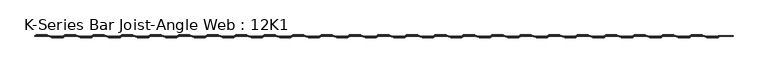
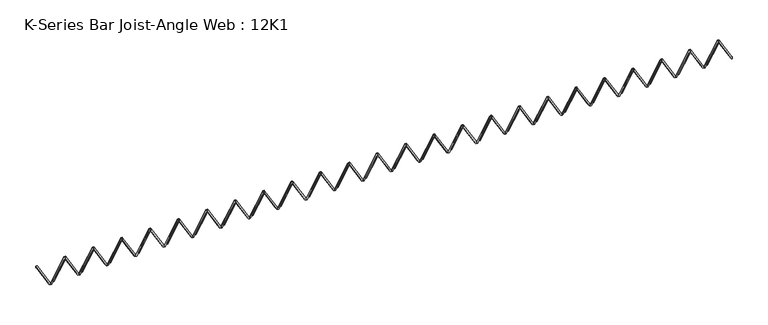
"""IFC4 building model written with IfcOpenShell, lengths in millimetres: beam geometry, K-Series Bar Joist-Angle Web : 12K1."""

from ifc_helpers import new_model, si_unit, frame, origin, place, context, project, spatial, polyline, outline, extrude, faceted_brep, source, transform, mapped, element, save


def k_series_bar_joist_angle_web_12k1_9746576e(model_context):
    return source(origin(), model_context, "Body", "SolidModel", [
        extrude(outline(polyline([(-149.225, 5786.6096386), (-130.175, 5786.6096386), (-130.175, 5785.7361276), (149.225, 5623.0843203), (149.225, 5604.9078313), (130.175, 5604.9078313), (130.175, 5612.1313423), (-149.225, 5774.7831496), (-149.225, 5786.6096386)])), frame((0.0, 0.0, 0.0), z_axis=(0.0, 1.0, 0.0), x_axis=(0.0, 0.0, 1.0)), (0.0, 0.0, 1.0), 4.7625),
        faceted_brep([(5435.9060241, 0.0, -130.175), (5435.9060241, 0.0, -149.225), (5435.9060241, -4.7625, -149.225), (5435.9060241, -4.7625, -130.175), (5436.7795351, 0.0, -130.175), (5599.4313423, 0.0, 149.225), (5617.6078313, 0.0, 149.225), (5617.6078313, 0.0, 130.175), (5610.3843203, 0.0, 130.175), (5447.7325131, 0.0, -149.225), (5447.7325131, -4.7625, -149.225), (5468.063989, -4.7625, -114.3), (5463.948118, -4.7625, -111.903959), (5597.0268694, -4.7625, 116.696041), (5601.1427404, -4.7625, 114.3), (5610.3843203, -4.7625, 130.175), (5617.6078313, -4.7625, 130.175), (5617.6078313, -4.7625, 149.225), (5599.4313423, -4.7625, 149.225), (5436.7795351, -4.7625, -130.175), (5601.1427404, -17.4625, 114.3), (5468.063989, -17.4625, -114.3), (5463.948118, -17.4625, -111.903959), (5597.0268694, -17.4625, 116.696041)], [[[0, 1, 2, 3]], [[1, 0, 4, 5, 6, 7, 8, 9]], [[2, 1, 9, 10]], [[3, 2, 10, 11, 12, 13, 14, 15, 16, 17, 18, 19]], [[0, 3, 19, 4]], [[9, 8, 15, 14, 20, 21, 11, 10]], [[5, 4, 19, 18]], [[7, 6, 17, 16]], [[8, 7, 16, 15]], [[6, 5, 18, 17]], [[21, 22, 12, 11]], [[20, 14, 13, 23]], [[22, 21, 20, 23]], [[12, 22, 23, 13]]]),
        extrude(outline(polyline([(-4.7625, 4.7625), (-4.7625, 0.0), (-17.4625, 0.0), (-17.4625, 4.7625), (-4.7625, 4.7625)])), frame((5403.7480592, 0.0, -114.3), z_axis=(-0.5031057189221613, 0.0, 0.8642248755895744), x_axis=(0.0, -1.0, 0.0)), (0.0, 0.0, 1.0), 264.5144874),
        extrude(outline(polyline([(-149.225, 5435.9060241), (-130.175, 5435.9060241), (-130.175, 5435.0325131), (149.225, 5272.3807059), (149.225, 5254.2042169), (130.175, 5254.2042169), (130.175, 5261.4277279), (-149.225, 5424.0795351), (-149.225, 5435.9060241)])), frame((0.0, 0.0, 0.0), z_axis=(0.0, 1.0, 0.0), x_axis=(0.0, 0.0, 1.0)), (0.0, 0.0, 1.0), 4.7625),
        faceted_brep([(5085.2024096, 0.0, -130.175), (5085.2024096, 0.0, -149.225), (5085.2024096, -4.7625, -149.225), (5085.2024096, -4.7625, -130.175), (5086.0759206, 0.0, -130.175), (5248.7277279, 0.0, 149.225), (5266.9042169, 0.0, 149.225), (5266.9042169, 0.0, 130.175), (5259.6807059, 0.0, 130.175), (5097.0288986, 0.0, -149.225), (5097.0288986, -4.7625, -149.225), (5117.3603745, -4.7625, -114.3), (5113.2445036, -4.7625, -111.903959), (5246.3232549, -4.7625, 116.696041), (5250.4391259, -4.7625, 114.3), (5259.6807059, -4.7625, 130.175), (5266.9042169, -4.7625, 130.175), (5266.9042169, -4.7625, 149.225), (5248.7277279, -4.7625, 149.225), (5086.0759206, -4.7625, -130.175), (5250.4391259, -17.4625, 114.3), (5117.3603745, -17.4625, -114.3), (5113.2445036, -17.4625, -111.903959), (5246.3232549, -17.4625, 116.696041)], [[[0, 1, 2, 3]], [[1, 0, 4, 5, 6, 7, 8, 9]], [[2, 1, 9, 10]], [[3, 2, 10, 11, 12, 13, 14, 15, 16, 17, 18, 19]], [[0, 3, 19, 4]], [[9, 8, 15, 14, 20, 21, 11, 10]], [[5, 4, 19, 18]], [[7, 6, 17, 16]], [[8, 7, 16, 15]], [[6, 5, 18, 17]], [[21, 22, 12, 11]], [[20, 14, 13, 23]], [[22, 21, 20, 23]], [[12, 22, 23, 13]]]),
        extrude(outline(polyline([(-4.7625, 4.7625), (-4.7625, 0.0), (-17.4625, 0.0), (-17.4625, 4.7625), (-4.7625, 4.7625)])), frame((5053.0444447, 0.0, -114.3), z_axis=(-0.5031057189221613, 0.0, 0.8642248755895744), x_axis=(0.0, -1.0, 0.0)), (0.0, 0.0, 1.0), 264.5144874),
        extrude(outline(polyline([(-149.225, 5085.2024096), (-130.175, 5085.2024096), (-130.175, 5084.3288986), (149.225, 4921.6770914), (149.225, 4903.5006024), (130.175, 4903.5006024), (130.175, 4910.7241134), (-149.225, 5073.3759206), (-149.225, 5085.2024096)])), frame((0.0, 0.0, 0.0), z_axis=(0.0, 1.0, 0.0), x_axis=(0.0, 0.0, 1.0)), (0.0, 0.0, 1.0), 4.7625),
        faceted_brep([(4734.4987952, 0.0, -130.175), (4734.4987952, 0.0, -149.225), (4734.4987952, -4.7625, -149.225), (4734.4987952, -4.7625, -130.175), (4735.3723062, 0.0, -130.175), (4898.0241134, 0.0, 149.225), (4916.2006024, 0.0, 149.225), (4916.2006024, 0.0, 130.175), (4908.9770914, 0.0, 130.175), (4746.3252842, 0.0, -149.225), (4746.3252842, -4.7625, -149.225), (4766.6567601, -4.7625, -114.3), (4762.5408891, -4.7625, -111.903959), (4895.6196405, -4.7625, 116.696041), (4899.7355115, -4.7625, 114.3), (4908.9770914, -4.7625, 130.175), (4916.2006024, -4.7625, 130.175), (4916.2006024, -4.7625, 149.225), (4898.0241134, -4.7625, 149.225), (4735.3723062, -4.7625, -130.175), (4899.7355115, -17.4625, 114.3), (4766.6567601, -17.4625, -114.3), (4762.5408891, -17.4625, -111.903959), (4895.6196405, -17.4625, 116.696041)], [[[0, 1, 2, 3]], [[1, 0, 4, 5, 6, 7, 8, 9]], [[2, 1, 9, 10]], [[3, 2, 10, 11, 12, 13, 14, 15, 16, 17, 18, 19]], [[0, 3, 19, 4]], [[9, 8, 15, 14, 20, 21, 11, 10]], [[5, 4, 19, 18]], [[7, 6, 17, 16]], [[8, 7, 16, 15]], [[6, 5, 18, 17]], [[21, 22, 12, 11]], [[20, 14, 13, 23]], [[22, 21, 20, 23]], [[12, 22, 23, 13]]]),
        extrude(outline(polyline([(-4.7625, 4.7624999), (-4.7625, 0.0), (-17.4625, 0.0), (-17.4625, 4.7624999), (-4.7625, 4.7624999)])), frame((4702.3408303, 0.0, -114.3), z_axis=(-0.5031057189221613, 0.0, 0.8642248755895744), x_axis=(0.0, -1.0, 0.0)), (0.0, 0.0, 1.0), 264.5144874),
        extrude(outline(polyline([(-149.225, 4734.4987952), (-130.175, 4734.4987952), (-130.175, 4733.6252842), (149.225, 4570.973477), (149.225, 4552.796988), (130.175, 4552.796988), (130.175, 4560.0204989), (-149.225, 4722.6723062), (-149.225, 4734.4987952)])), frame((0.0, 0.0, 0.0), z_axis=(0.0, 1.0, 0.0), x_axis=(0.0, 0.0, 1.0)), (0.0, 0.0, 1.0), 4.7625),
        faceted_brep([(4383.7951807, 0.0, -130.175), (4383.7951807, 0.0, -149.225), (4383.7951807, -4.7625, -149.225), (4383.7951807, -4.7625, -130.175), (4384.6686917, 0.0, -130.175), (4547.3204989, 0.0, 149.225), (4565.496988, 0.0, 149.225), (4565.496988, 0.0, 130.175), (4558.273477, 0.0, 130.175), (4395.6216697, 0.0, -149.225), (4395.6216697, -4.7625, -149.225), (4415.9531456, -4.7625, -114.3), (4411.8372747, -4.7625, -111.903959), (4544.916026, -4.7625, 116.696041), (4549.031897, -4.7625, 114.3), (4558.273477, -4.7625, 130.175), (4565.496988, -4.7625, 130.175), (4565.496988, -4.7625, 149.225), (4547.3204989, -4.7625, 149.225), (4384.6686917, -4.7625, -130.175), (4549.031897, -17.4625, 114.3), (4415.9531456, -17.4625, -114.3), (4411.8372747, -17.4625, -111.903959), (4544.916026, -17.4625, 116.696041)], [[[0, 1, 2, 3]], [[1, 0, 4, 5, 6, 7, 8, 9]], [[2, 1, 9, 10]], [[3, 2, 10, 11, 12, 13, 14, 15, 16, 17, 18, 19]], [[0, 3, 19, 4]], [[9, 8, 15, 14, 20, 21, 11, 10]], [[5, 4, 19, 18]], [[7, 6, 17, 16]], [[8, 7, 16, 15]], [[6, 5, 18, 17]], [[21, 22, 12, 11]], [[20, 14, 13, 23]], [[22, 21, 20, 23]], [[12, 22, 23, 13]]]),
        extrude(outline(polyline([(-4.7625, 4.7625), (-4.7625, 0.0), (-17.4625, 0.0), (-17.4625, 4.7625), (-4.7625, 4.7625)])), frame((4351.6372158, 0.0, -114.3), z_axis=(-0.5031057189221613, 0.0, 0.8642248755895744), x_axis=(0.0, -1.0, 0.0)), (0.0, 0.0, 1.0), 264.5144874),
        extrude(outline(polyline([(-149.225, 4383.7951807), (-130.175, 4383.7951807), (-130.175, 4382.9216697), (149.225, 4220.2698625), (149.225, 4202.0933735), (130.175, 4202.0933735), (130.175, 4209.3168845), (-149.225, 4371.9686917), (-149.225, 4383.7951807)])), frame((0.0, 0.0, 0.0), z_axis=(0.0, 1.0, 0.0), x_axis=(0.0, 0.0, 1.0)), (0.0, 0.0, 1.0), 4.7625),
        faceted_brep([(4033.0915663, 0.0, -130.175), (4033.0915663, 0.0, -149.225), (4033.0915663, -4.7625, -149.225), (4033.0915663, -4.7625, -130.175), (4033.9650773, 0.0, -130.175), (4196.6168845, 0.0, 149.225), (4214.7933735, 0.0, 149.225), (4214.7933735, 0.0, 130.175), (4207.5698625, 0.0, 130.175), (4044.9180553, 0.0, -149.225), (4044.9180553, -4.7625, -149.225), (4065.2495312, -4.7625, -114.3), (4061.1336602, -4.7625, -111.903959), (4194.2124116, -4.7625, 116.696041), (4198.3282825, -4.7625, 114.3), (4207.5698625, -4.7625, 130.175), (4214.7933735, -4.7625, 130.175), (4214.7933735, -4.7625, 149.225), (4196.6168845, -4.7625, 149.225), (4033.9650773, -4.7625, -130.175), (4198.3282825, -17.4625, 114.3), (4065.2495312, -17.4625, -114.3), (4061.1336602, -17.4625, -111.903959), (4194.2124116, -17.4625, 116.696041)], [[[0, 1, 2, 3]], [[1, 0, 4, 5, 6, 7, 8, 9]], [[2, 1, 9, 10]], [[3, 2, 10, 11, 12, 13, 14, 15, 16, 17, 18, 19]], [[0, 3, 19, 4]], [[9, 8, 15, 14, 20, 21, 11, 10]], [[5, 4, 19, 18]], [[7, 6, 17, 16]], [[8, 7, 16, 15]], [[6, 5, 18, 17]], [[21, 22, 12, 11]], [[20, 14, 13, 23]], [[22, 21, 20, 23]], [[12, 22, 23, 13]]]),
        extrude(outline(polyline([(-4.7625, 4.7624999), (-4.7625, 0.0), (-17.4625, 0.0), (-17.4625, 4.7624999), (-4.7625, 4.7624999)])), frame((4000.9336014, 0.0, -114.3), z_axis=(-0.5031057189221613, 0.0, 0.8642248755895744), x_axis=(0.0, -1.0, 0.0)), (0.0, 0.0, 1.0), 264.5144874),
        extrude(outline(polyline([(-149.225, 4033.0915663), (-130.175, 4033.0915663), (-130.175, 4032.2180553), (149.225, 3869.566248), (149.225, 3851.389759), (130.175, 3851.389759), (130.175, 3858.61327), (-149.225, 4021.2650773), (-149.225, 4033.0915663)])), frame((0.0, 0.0, 0.0), z_axis=(0.0, 1.0, 0.0), x_axis=(0.0, 0.0, 1.0)), (0.0, 0.0, 1.0), 4.7625),
        faceted_brep([(3682.3879518, 0.0, -130.175), (3682.3879518, 0.0, -149.225), (3682.3879518, -4.7625, -149.225), (3682.3879518, -4.7625, -130.175), (3683.2614628, 0.0, -130.175), (3845.91327, 0.0, 149.225), (3864.089759, 0.0, 149.225), (3864.089759, 0.0, 130.175), (3856.866248, 0.0, 130.175), (3694.2144408, 0.0, -149.225), (3694.2144408, -4.7625, -149.225), (3714.5459167, -4.7625, -114.3), (3710.4300457, -4.7625, -111.903959), (3843.5087971, -4.7625, 116.696041), (3847.6246681, -4.7625, 114.3), (3856.866248, -4.7625, 130.175), (3864.089759, -4.7625, 130.175), (3864.089759, -4.7625, 149.225), (3845.91327, -4.7625, 149.225), (3683.2614628, -4.7625, -130.175), (3847.6246681, -17.4625, 114.3), (3714.5459167, -17.4625, -114.3), (3710.4300457, -17.4625, -111.903959), (3843.5087971, -17.4625, 116.696041)], [[[0, 1, 2, 3]], [[1, 0, 4, 5, 6, 7, 8, 9]], [[2, 1, 9, 10]], [[3, 2, 10, 11, 12, 13, 14, 15, 16, 17, 18, 19]], [[0, 3, 19, 4]], [[9, 8, 15, 14, 20, 21, 11, 10]], [[5, 4, 19, 18]], [[7, 6, 17, 16]], [[8, 7, 16, 15]], [[6, 5, 18, 17]], [[21, 22, 12, 11]], [[20, 14, 13, 23]], [[22, 21, 20, 23]], [[12, 22, 23, 13]]]),
        extrude(outline(polyline([(-4.7625, 4.7625), (-4.7625, 0.0), (-17.4625, 0.0), (-17.4625, 4.7625), (-4.7625, 4.7625)])), frame((3650.2299869, 0.0, -114.3), z_axis=(-0.5031057189221613, 0.0, 0.8642248755895744), x_axis=(0.0, -1.0, 0.0)), (0.0, 0.0, 1.0), 264.5144874),
        extrude(outline(polyline([(-149.225, 3682.3879518), (-130.175, 3682.3879518), (-130.175, 3681.5144408), (149.225, 3518.8626336), (149.225, 3500.6861446), (130.175, 3500.6861446), (130.175, 3507.9096556), (-149.225, 3670.5614628), (-149.225, 3682.3879518)])), frame((0.0, 0.0, 0.0), z_axis=(0.0, 1.0, 0.0), x_axis=(0.0, 0.0, 1.0)), (0.0, 0.0, 1.0), 4.7625),
        faceted_brep([(3331.6843373, 0.0, -130.175), (3331.6843373, 0.0, -149.225), (3331.6843373, -4.7625, -149.225), (3331.6843373, -4.7625, -130.175), (3332.5578483, 0.0, -130.175), (3495.2096556, 0.0, 149.225), (3513.3861446, 0.0, 149.225), (3513.3861446, 0.0, 130.175), (3506.1626336, 0.0, 130.175), (3343.5108264, 0.0, -149.225), (3343.5108264, -4.7625, -149.225), (3363.8423023, -4.7625, -114.3), (3359.7264313, -4.7625, -111.903959), (3492.8051827, -4.7625, 116.696041), (3496.9210536, -4.7625, 114.3), (3506.1626336, -4.7625, 130.175), (3513.3861446, -4.7625, 130.175), (3513.3861446, -4.7625, 149.225), (3495.2096556, -4.7625, 149.225), (3332.5578483, -4.7625, -130.175), (3496.9210536, -17.4625, 114.3), (3363.8423023, -17.4625, -114.3), (3359.7264313, -17.4625, -111.903959), (3492.8051827, -17.4625, 116.696041)], [[[0, 1, 2, 3]], [[1, 0, 4, 5, 6, 7, 8, 9]], [[2, 1, 9, 10]], [[3, 2, 10, 11, 12, 13, 14, 15, 16, 17, 18, 19]], [[0, 3, 19, 4]], [[9, 8, 15, 14, 20, 21, 11, 10]], [[5, 4, 19, 18]], [[7, 6, 17, 16]], [[8, 7, 16, 15]], [[6, 5, 18, 17]], [[21, 22, 12, 11]], [[20, 14, 13, 23]], [[22, 21, 20, 23]], [[12, 22, 23, 13]]]),
        extrude(outline(polyline([(-4.7625, 4.7625), (-4.7625, 0.0), (-17.4625, 0.0), (-17.4625, 4.7625), (-4.7625, 4.7625)])), frame((3299.5263724, 0.0, -114.3), z_axis=(-0.5031057189221613, 0.0, 0.8642248755895744), x_axis=(0.0, -1.0, 0.0)), (0.0, 0.0, 1.0), 264.5144874),
        extrude(outline(polyline([(-149.225, 3331.6843373), (-130.175, 3331.6843373), (-130.175, 3330.8108264), (149.225, 3168.1590191), (149.225, 3149.9825301), (130.175, 3149.9825301), (130.175, 3157.2060411), (-149.225, 3319.8578483), (-149.225, 3331.6843373)])), frame((0.0, 0.0, 0.0), z_axis=(0.0, 1.0, 0.0), x_axis=(0.0, 0.0, 1.0)), (0.0, 0.0, 1.0), 4.7625),
        faceted_brep([(2980.9807229, 0.0, -130.175), (2980.9807229, 0.0, -149.225), (2980.9807229, -4.7625, -149.225), (2980.9807229, -4.7625, -130.175), (2981.8542339, 0.0, -130.175), (3144.5060411, 0.0, 149.225), (3162.6825301, 0.0, 149.225), (3162.6825301, 0.0, 130.175), (3155.4590191, 0.0, 130.175), (2992.8072119, 0.0, -149.225), (2992.8072119, -4.7625, -149.225), (3013.1386878, -4.7625, -114.3), (3009.0228168, -4.7625, -111.903959), (3142.1015682, -4.7625, 116.696041), (3146.2174392, -4.7625, 114.3), (3155.4590191, -4.7625, 130.175), (3162.6825301, -4.7625, 130.175), (3162.6825301, -4.7625, 149.225), (3144.5060411, -4.7625, 149.225), (2981.8542339, -4.7625, -130.175), (3146.2174392, -17.4625, 114.3), (3013.1386878, -17.4625, -114.3), (3009.0228168, -17.4625, -111.903959), (3142.1015682, -17.4625, 116.696041)], [[[0, 1, 2, 3]], [[1, 0, 4, 5, 6, 7, 8, 9]], [[2, 1, 9, 10]], [[3, 2, 10, 11, 12, 13, 14, 15, 16, 17, 18, 19]], [[0, 3, 19, 4]], [[9, 8, 15, 14, 20, 21, 11, 10]], [[5, 4, 19, 18]], [[7, 6, 17, 16]], [[8, 7, 16, 15]], [[6, 5, 18, 17]], [[21, 22, 12, 11]], [[20, 14, 13, 23]], [[22, 21, 20, 23]], [[12, 22, 23, 13]]]),
        extrude(outline(polyline([(-4.7625, 4.7625), (-4.7625, 0.0), (-17.4625, 0.0), (-17.4625, 4.7625), (-4.7625, 4.7625)])), frame((2948.822758, 0.0, -114.3), z_axis=(-0.5031057189221613, 0.0, 0.8642248755895744), x_axis=(0.0, -1.0, 0.0)), (0.0, 0.0, 1.0), 264.5144874),
        extrude(outline(polyline([(-149.225, 2980.9807229), (-130.175, 2980.9807229), (-130.175, 2980.1072119), (149.225, 2817.4554047), (149.225, 2799.2789157), (130.175, 2799.2789157), (130.175, 2806.5024267), (-149.225, 2969.1542339), (-149.225, 2980.9807229)])), frame((0.0, 0.0, 0.0), z_axis=(0.0, 1.0, 0.0), x_axis=(0.0, 0.0, 1.0)), (0.0, 0.0, 1.0), 4.7625),
        faceted_brep([(2630.2771084, 0.0, -130.175), (2630.2771084, 0.0, -149.225), (2630.2771084, -4.7625, -149.225), (2630.2771084, -4.7625, -130.175), (2631.1506194, 0.0, -130.175), (2793.8024267, 0.0, 149.225), (2811.9789157, 0.0, 149.225), (2811.9789157, 0.0, 130.175), (2804.7554047, 0.0, 130.175), (2642.1035974, 0.0, -149.225), (2642.1035974, -4.7625, -149.225), (2662.4350733, -4.7625, -114.3), (2658.3192024, -4.7625, -111.903959), (2791.3979537, -4.7625, 116.696041), (2795.5138247, -4.7625, 114.3), (2804.7554047, -4.7625, 130.175), (2811.9789157, -4.7625, 130.175), (2811.9789157, -4.7625, 149.225), (2793.8024267, -4.7625, 149.225), (2631.1506194, -4.7625, -130.175), (2795.5138247, -17.4625, 114.3), (2662.4350733, -17.4625, -114.3), (2658.3192024, -17.4625, -111.903959), (2791.3979537, -17.4625, 116.696041)], [[[0, 1, 2, 3]], [[1, 0, 4, 5, 6, 7, 8, 9]], [[2, 1, 9, 10]], [[3, 2, 10, 11, 12, 13, 14, 15, 16, 17, 18, 19]], [[0, 3, 19, 4]], [[9, 8, 15, 14, 20, 21, 11, 10]], [[5, 4, 19, 18]], [[7, 6, 17, 16]], [[8, 7, 16, 15]], [[6, 5, 18, 17]], [[21, 22, 12, 11]], [[20, 14, 13, 23]], [[22, 21, 20, 23]], [[12, 22, 23, 13]]]),
        extrude(outline(polyline([(-4.7625, 4.7625), (-4.7625, 0.0), (-17.4625, 0.0), (-17.4625, 4.7625), (-4.7625, 4.7625)])), frame((2598.1191435, 0.0, -114.3), z_axis=(-0.5031057189221613, 0.0, 0.8642248755895744), x_axis=(0.0, -1.0, 0.0)), (0.0, 0.0, 1.0), 264.5144874),
        extrude(outline(polyline([(-149.225, 2630.2771084), (-130.175, 2630.2771084), (-130.175, 2629.4035974), (149.225, 2466.7517902), (149.225, 2448.5753012), (130.175, 2448.5753012), (130.175, 2455.7988122), (-149.225, 2618.4506194), (-149.225, 2630.2771084)])), frame((0.0, 0.0, 0.0), z_axis=(0.0, 1.0, 0.0), x_axis=(0.0, 0.0, 1.0)), (0.0, 0.0, 1.0), 4.7625),
        faceted_brep([(2279.573494, 0.0, -130.175), (2279.573494, 0.0, -149.225), (2279.573494, -4.7625, -149.225), (2279.573494, -4.7625, -130.175), (2280.447005, 0.0, -130.175), (2443.0988122, 0.0, 149.225), (2461.2753012, 0.0, 149.225), (2461.2753012, 0.0, 130.175), (2454.0517902, 0.0, 130.175), (2291.399983, 0.0, -149.225), (2291.399983, -4.7625, -149.225), (2311.7314589, -4.7625, -114.3), (2307.6155879, -4.7625, -111.903959), (2440.6943393, -4.7625, 116.696041), (2444.8102103, -4.7625, 114.3), (2454.0517902, -4.7625, 130.175), (2461.2753012, -4.7625, 130.175), (2461.2753012, -4.7625, 149.225), (2443.0988122, -4.7625, 149.225), (2280.447005, -4.7625, -130.175), (2444.8102103, -17.4625, 114.3), (2311.7314589, -17.4625, -114.3), (2307.6155879, -17.4625, -111.903959), (2440.6943393, -17.4625, 116.696041)], [[[0, 1, 2, 3]], [[1, 0, 4, 5, 6, 7, 8, 9]], [[2, 1, 9, 10]], [[3, 2, 10, 11, 12, 13, 14, 15, 16, 17, 18, 19]], [[0, 3, 19, 4]], [[9, 8, 15, 14, 20, 21, 11, 10]], [[5, 4, 19, 18]], [[7, 6, 17, 16]], [[8, 7, 16, 15]], [[6, 5, 18, 17]], [[21, 22, 12, 11]], [[20, 14, 13, 23]], [[22, 21, 20, 23]], [[12, 22, 23, 13]]]),
        extrude(outline(polyline([(-4.7625, 4.7624999), (-4.7625, 0.0), (-17.4625, 0.0), (-17.4625, 4.7624999), (-4.7625, 4.7624999)])), frame((2247.4155291, 0.0, -114.3), z_axis=(-0.5031057189221613, 0.0, 0.8642248755895744), x_axis=(0.0, -1.0, 0.0)), (0.0, 0.0, 1.0), 264.5144874),
        extrude(outline(polyline([(-149.225, 2279.573494), (-130.175, 2279.573494), (-130.175, 2278.699983), (149.225, 2116.0481757), (149.225, 2097.8716867), (130.175, 2097.8716867), (130.175, 2105.0951977), (-149.225, 2267.747005), (-149.225, 2279.573494)])), frame((0.0, 0.0, 0.0), z_axis=(0.0, 1.0, 0.0), x_axis=(0.0, 0.0, 1.0)), (0.0, 0.0, 1.0), 4.7625),
        faceted_brep([(1928.8698795, 0.0, -130.175), (1928.8698795, 0.0, -149.225), (1928.8698795, -4.7625, -149.225), (1928.8698795, -4.7625, -130.175), (1929.7433905, 0.0, -130.175), (2092.3951977, 0.0, 149.225), (2110.5716867, 0.0, 149.225), (2110.5716867, 0.0, 130.175), (2103.3481757, 0.0, 130.175), (1940.6963685, 0.0, -149.225), (1940.6963685, -4.7625, -149.225), (1961.0278444, -4.7625, -114.3), (1956.9119735, -4.7625, -111.903959), (2089.9907248, -4.7625, 116.696041), (2094.1065958, -4.7625, 114.3), (2103.3481757, -4.7625, 130.175), (2110.5716867, -4.7625, 130.175), (2110.5716867, -4.7625, 149.225), (2092.3951977, -4.7625, 149.225), (1929.7433905, -4.7625, -130.175), (2094.1065958, -17.4625, 114.3), (1961.0278444, -17.4625, -114.3), (1956.9119735, -17.4625, -111.903959), (2089.9907248, -17.4625, 116.696041)], [[[0, 1, 2, 3]], [[1, 0, 4, 5, 6, 7, 8, 9]], [[2, 1, 9, 10]], [[3, 2, 10, 11, 12, 13, 14, 15, 16, 17, 18, 19]], [[0, 3, 19, 4]], [[9, 8, 15, 14, 20, 21, 11, 10]], [[5, 4, 19, 18]], [[7, 6, 17, 16]], [[8, 7, 16, 15]], [[6, 5, 18, 17]], [[21, 22, 12, 11]], [[20, 14, 13, 23]], [[22, 21, 20, 23]], [[12, 22, 23, 13]]]),
        extrude(outline(polyline([(-4.7625, 4.7625), (-4.7625, 0.0), (-17.4625, 0.0), (-17.4625, 4.7625), (-4.7625, 4.7625)])), frame((1896.7119146, 0.0, -114.3), z_axis=(-0.5031057189221613, 0.0, 0.8642248755895744), x_axis=(0.0, -1.0, 0.0)), (0.0, 0.0, 1.0), 264.5144874),
        extrude(outline(polyline([(-149.225, 1928.8698795), (-130.175, 1928.8698795), (-130.175, 1927.9963685), (149.225, 1765.3445613), (149.225, 1747.1680723), (130.175, 1747.1680723), (130.175, 1754.3915833), (-149.225, 1917.0433905), (-149.225, 1928.8698795)])), frame((0.0, 0.0, 0.0), z_axis=(0.0, 1.0, 0.0), x_axis=(0.0, 0.0, 1.0)), (0.0, 0.0, 1.0), 4.7625),
        faceted_brep([(1578.1662651, 0.0, -130.175), (1578.1662651, 0.0, -149.225), (1578.1662651, -4.7625, -149.225), (1578.1662651, -4.7625, -130.175), (1579.0397761, 0.0, -130.175), (1741.6915833, 0.0, 149.225), (1759.8680723, 0.0, 149.225), (1759.8680723, 0.0, 130.175), (1752.6445613, 0.0, 130.175), (1589.9927541, 0.0, -149.225), (1589.9927541, -4.7625, -149.225), (1610.32423, -4.7625, -114.3), (1606.208359, -4.7625, -111.903959), (1739.2871104, -4.7625, 116.696041), (1743.4029813, -4.7625, 114.3), (1752.6445613, -4.7625, 130.175), (1759.8680723, -4.7625, 130.175), (1759.8680723, -4.7625, 149.225), (1741.6915833, -4.7625, 149.225), (1579.0397761, -4.7625, -130.175), (1743.4029813, -17.4625, 114.3), (1610.32423, -17.4625, -114.3), (1606.208359, -17.4625, -111.903959), (1739.2871104, -17.4625, 116.696041)], [[[0, 1, 2, 3]], [[1, 0, 4, 5, 6, 7, 8, 9]], [[2, 1, 9, 10]], [[3, 2, 10, 11, 12, 13, 14, 15, 16, 17, 18, 19]], [[0, 3, 19, 4]], [[9, 8, 15, 14, 20, 21, 11, 10]], [[5, 4, 19, 18]], [[7, 6, 17, 16]], [[8, 7, 16, 15]], [[6, 5, 18, 17]], [[21, 22, 12, 11]], [[20, 14, 13, 23]], [[22, 21, 20, 23]], [[12, 22, 23, 13]]]),
        extrude(outline(polyline([(-4.7625, 4.7624999), (-4.7625, 0.0), (-17.4625, 0.0), (-17.4625, 4.7624999), (-4.7625, 4.7624999)])), frame((1546.0083002, 0.0, -114.3), z_axis=(-0.5031057189221613, 0.0, 0.8642248755895744), x_axis=(0.0, -1.0, 0.0)), (0.0, 0.0, 1.0), 264.5144874),
        extrude(outline(polyline([(-149.225, 1578.1662651), (-130.175, 1578.1662651), (-130.175, 1577.2927541), (149.225, 1414.6409468), (149.225, 1396.4644578), (130.175, 1396.4644578), (130.175, 1403.6879688), (-149.225, 1566.3397761), (-149.225, 1578.1662651)])), frame((0.0, 0.0, 0.0), z_axis=(0.0, 1.0, 0.0), x_axis=(0.0, 0.0, 1.0)), (0.0, 0.0, 1.0), 4.7625),
        faceted_brep([(1227.4626506, 0.0, -130.175), (1227.4626506, 0.0, -149.225), (1227.4626506, -4.7625, -149.225), (1227.4626506, -4.7625, -130.175), (1228.3361616, 0.0, -130.175), (1390.9879688, 0.0, 149.225), (1409.1644578, 0.0, 149.225), (1409.1644578, 0.0, 130.175), (1401.9409468, 0.0, 130.175), (1239.2891396, 0.0, -149.225), (1239.2891396, -4.7625, -149.225), (1259.6206155, -4.7625, -114.3), (1255.5047445, -4.7625, -111.903959), (1388.5834959, -4.7625, 116.696041), (1392.6993669, -4.7625, 114.3), (1401.9409468, -4.7625, 130.175), (1409.1644578, -4.7625, 130.175), (1409.1644578, -4.7625, 149.225), (1390.9879688, -4.7625, 149.225), (1228.3361616, -4.7625, -130.175), (1392.6993669, -17.4625, 114.3), (1259.6206155, -17.4625, -114.3), (1255.5047445, -17.4625, -111.903959), (1388.5834959, -17.4625, 116.696041)], [[[0, 1, 2, 3]], [[1, 0, 4, 5, 6, 7, 8, 9]], [[2, 1, 9, 10]], [[3, 2, 10, 11, 12, 13, 14, 15, 16, 17, 18, 19]], [[0, 3, 19, 4]], [[9, 8, 15, 14, 20, 21, 11, 10]], [[5, 4, 19, 18]], [[7, 6, 17, 16]], [[8, 7, 16, 15]], [[6, 5, 18, 17]], [[21, 22, 12, 11]], [[20, 14, 13, 23]], [[22, 21, 20, 23]], [[12, 22, 23, 13]]]),
        extrude(outline(polyline([(-4.7625, 4.7625), (-4.7625, 0.0), (-17.4625, 0.0), (-17.4625, 4.7625), (-4.7625, 4.7625)])), frame((1195.3046857, 0.0, -114.3), z_axis=(-0.5031057189221613, 0.0, 0.8642248755895744), x_axis=(0.0, -1.0, 0.0)), (0.0, 0.0, 1.0), 264.5144874),
        extrude(outline(polyline([(-149.225, 1227.4626506), (-130.175, 1227.4626506), (-130.175, 1226.5891396), (149.225, 1063.9373324), (149.225, 1045.7608434), (130.175, 1045.7608434), (130.175, 1052.9843544), (-149.225, 1215.6361616), (-149.225, 1227.4626506)])), frame((0.0, 0.0, 0.0), z_axis=(0.0, 1.0, 0.0), x_axis=(0.0, 0.0, 1.0)), (0.0, 0.0, 1.0), 4.7625),
        faceted_brep([(876.7590361, 0.0, -130.175), (876.7590361, 0.0, -149.225), (876.7590361, -4.7625, -149.225), (876.7590361, -4.7625, -130.175), (877.6325471, 0.0, -130.175), (1040.2843544, 0.0, 149.225), (1058.4608434, 0.0, 149.225), (1058.4608434, 0.0, 130.175), (1051.2373324, 0.0, 130.175), (888.5855251, 0.0, -149.225), (888.5855251, -4.7625, -149.225), (908.9170011, -4.7625, -114.3), (904.8011301, -4.7625, -111.903959), (1037.8798815, -4.7625, 116.696041), (1041.9957524, -4.7625, 114.3), (1051.2373324, -4.7625, 130.175), (1058.4608434, -4.7625, 130.175), (1058.4608434, -4.7625, 149.225), (1040.2843544, -4.7625, 149.225), (877.6325471, -4.7625, -130.175), (1041.9957524, -17.4625, 114.3), (908.9170011, -17.4625, -114.3), (904.8011301, -17.4625, -111.903959), (1037.8798815, -17.4625, 116.696041)], [[[0, 1, 2, 3]], [[1, 0, 4, 5, 6, 7, 8, 9]], [[2, 1, 9, 10]], [[3, 2, 10, 11, 12, 13, 14, 15, 16, 17, 18, 19]], [[0, 3, 19, 4]], [[9, 8, 15, 14, 20, 21, 11, 10]], [[5, 4, 19, 18]], [[7, 6, 17, 16]], [[8, 7, 16, 15]], [[6, 5, 18, 17]], [[21, 22, 12, 11]], [[20, 14, 13, 23]], [[22, 21, 20, 23]], [[12, 22, 23, 13]]]),
        extrude(outline(polyline([(-4.7625, 4.7625), (-4.7625, 0.0), (-17.4625, 0.0), (-17.4625, 4.7625), (-4.7625, 4.7625)])), frame((844.6010712, 0.0, -114.3), z_axis=(-0.5031057189221613, 0.0, 0.8642248755895744), x_axis=(0.0, -1.0, 0.0)), (0.0, 0.0, 1.0), 264.5144874),
        extrude(outline(polyline([(-149.225, 876.7590361), (-130.175, 876.7590361), (-130.175, 875.8855251), (149.225, 713.2337179), (149.225, 695.0572289), (130.175, 695.0572289), (130.175, 702.2807399), (-149.225, 864.9325471), (-149.225, 876.7590361)])), frame((0.0, 0.0, 0.0), z_axis=(0.0, 1.0, 0.0), x_axis=(0.0, 0.0, 1.0)), (0.0, 0.0, 1.0), 4.7625),
        faceted_brep([(526.0554217, 0.0, -130.175), (526.0554217, 0.0, -149.225), (526.0554217, -4.7625, -149.225), (526.0554217, -4.7625, -130.175), (526.9289327, 0.0, -130.175), (689.5807399, 0.0, 149.225), (707.7572289, 0.0, 149.225), (707.7572289, 0.0, 130.175), (700.5337179, 0.0, 130.175), (537.8819107, 0.0, -149.225), (537.8819107, -4.7625, -149.225), (558.2133866, -4.7625, -114.3), (554.0975156, -4.7625, -111.903959), (687.176267, -4.7625, 116.696041), (691.292138, -4.7625, 114.3), (700.5337179, -4.7625, 130.175), (707.7572289, -4.7625, 130.175), (707.7572289, -4.7625, 149.225), (689.5807399, -4.7625, 149.225), (526.9289327, -4.7625, -130.175), (691.292138, -17.4625, 114.3), (558.2133866, -17.4625, -114.3), (554.0975156, -17.4625, -111.903959), (687.176267, -17.4625, 116.696041)], [[[0, 1, 2, 3]], [[1, 0, 4, 5, 6, 7, 8, 9]], [[2, 1, 9, 10]], [[3, 2, 10, 11, 12, 13, 14, 15, 16, 17, 18, 19]], [[0, 3, 19, 4]], [[9, 8, 15, 14, 20, 21, 11, 10]], [[5, 4, 19, 18]], [[7, 6, 17, 16]], [[8, 7, 16, 15]], [[6, 5, 18, 17]], [[21, 22, 12, 11]], [[20, 14, 13, 23]], [[22, 21, 20, 23]], [[12, 22, 23, 13]]]),
        extrude(outline(polyline([(-4.7625, 4.7625), (-4.7625, 0.0), (-17.4625, 0.0), (-17.4625, 4.7625), (-4.7625, 4.7625)])), frame((493.8974568, 0.0, -114.3), z_axis=(-0.5031057189221613, 0.0, 0.8642248755895744), x_axis=(0.0, -1.0, 0.0)), (0.0, 0.0, 1.0), 264.5144874),
        extrude(outline(polyline([(-149.225, 526.0554217), (-130.175, 526.0554217), (-130.175, 525.1819107), (149.225, 362.5301035), (149.225, 344.3536145), (130.175, 344.3536145), (130.175, 351.5771255), (-149.225, 514.2289327), (-149.225, 526.0554217)])), frame((0.0, 0.0, 0.0), z_axis=(0.0, 1.0, 0.0), x_axis=(0.0, 0.0, 1.0)), (0.0, 0.0, 1.0), 4.7625),
        faceted_brep([(175.3518072, 0.0, -130.175), (175.3518072, 0.0, -149.225), (175.3518072, -4.7625, -149.225), (175.3518072, -4.7625, -130.175), (176.2253182, 0.0, -130.175), (338.8771255, 0.0, 149.225), (357.0536145, 0.0, 149.225), (357.0536145, 0.0, 130.175), (349.8301035, 0.0, 130.175), (187.1782962, 0.0, -149.225), (187.1782962, -4.7625, -149.225), (207.5097721, -4.7625, -114.3), (203.3939012, -4.7625, -111.903959), (336.4726525, -4.7625, 116.696041), (340.5885235, -4.7625, 114.3), (349.8301035, -4.7625, 130.175), (357.0536145, -4.7625, 130.175), (357.0536145, -4.7625, 149.225), (338.8771255, -4.7625, 149.225), (176.2253182, -4.7625, -130.175), (340.5885235, -17.4625, 114.3), (207.5097721, -17.4625, -114.3), (203.3939012, -17.4625, -111.903959), (336.4726525, -17.4625, 116.696041)], [[[0, 1, 2, 3]], [[1, 0, 4, 5, 6, 7, 8, 9]], [[2, 1, 9, 10]], [[3, 2, 10, 11, 12, 13, 14, 15, 16, 17, 18, 19]], [[0, 3, 19, 4]], [[9, 8, 15, 14, 20, 21, 11, 10]], [[5, 4, 19, 18]], [[7, 6, 17, 16]], [[8, 7, 16, 15]], [[6, 5, 18, 17]], [[21, 22, 12, 11]], [[20, 14, 13, 23]], [[22, 21, 20, 23]], [[12, 22, 23, 13]]]),
        extrude(outline(polyline([(-4.7625, 4.7625), (-4.7625, 0.0), (-17.4625, 0.0), (-17.4625, 4.7625), (-4.7625, 4.7625)])), frame((143.1938423, 0.0, -114.3), z_axis=(-0.5031057189221613, 0.0, 0.8642248755895744), x_axis=(0.0, -1.0, 0.0)), (0.0, 0.0, 1.0), 264.5144874),
        extrude(outline(polyline([(-149.225, 175.3518072), (-130.175, 175.3518072), (-130.175, 174.4782962), (149.225, 11.826489), (149.225, -6.35), (130.175, -6.35), (130.175, 0.873511), (-149.225, 163.5253182), (-149.225, 175.3518072)])), frame((0.0, 0.0, 0.0), z_axis=(0.0, 1.0, 0.0), x_axis=(0.0, 0.0, 1.0)), (0.0, 0.0, 1.0), 4.7625),
        faceted_brep([(-175.3518072, 0.0, -130.175), (-175.3518072, 0.0, -149.225), (-175.3518072, -4.7625, -149.225), (-175.3518072, -4.7625, -130.175), (-174.4782962, 0.0, -130.175), (-11.826489, 0.0, 149.225), (6.35, 0.0, 149.225), (6.35, 0.0, 130.175), (-0.873511, 0.0, 130.175), (-163.5253182, 0.0, -149.225), (-163.5253182, -4.7625, -149.225), (-143.1938423, -4.7625, -114.3), (-147.3097133, -4.7625, -111.903959), (-14.2309619, -4.7625, 116.696041), (-10.115091, -4.7625, 114.3), (-0.873511, -4.7625, 130.175), (6.35, -4.7625, 130.175), (6.35, -4.7625, 149.225), (-11.826489, -4.7625, 149.225), (-174.4782962, -4.7625, -130.175), (-10.115091, -17.4625, 114.3), (-143.1938423, -17.4625, -114.3), (-147.3097133, -17.4625, -111.903959), (-14.2309619, -17.4625, 116.696041)], [[[0, 1, 2, 3]], [[1, 0, 4, 5, 6, 7, 8, 9]], [[2, 1, 9, 10]], [[3, 2, 10, 11, 12, 13, 14, 15, 16, 17, 18, 19]], [[0, 3, 19, 4]], [[9, 8, 15, 14, 20, 21, 11, 10]], [[5, 4, 19, 18]], [[7, 6, 17, 16]], [[8, 7, 16, 15]], [[6, 5, 18, 17]], [[21, 22, 12, 11]], [[20, 14, 13, 23]], [[22, 21, 20, 23]], [[12, 22, 23, 13]]]),
        extrude(outline(polyline([(-4.7625, 4.7624999), (-4.7625, 0.0), (-17.4625, 0.0), (-17.4625, 4.7624999), (-4.7625, 4.7624999)])), frame((-207.5097721, 0.0, -114.3), z_axis=(-0.5031057189221613, 0.0, 0.8642248755895744), x_axis=(0.0, -1.0, 0.0)), (0.0, 0.0, 1.0), 264.5144874),
        extrude(outline(polyline([(-149.225, -175.3518072), (-130.175, -175.3518072), (-130.175, -176.2253182), (149.225, -338.8771255), (149.225, -357.0536145), (130.175, -357.0536145), (130.175, -349.8301035), (-149.225, -187.1782962), (-149.225, -175.3518072)])), frame((0.0, 0.0, 0.0), z_axis=(0.0, 1.0, 0.0), x_axis=(0.0, 0.0, 1.0)), (0.0, 0.0, 1.0), 4.7625),
        faceted_brep([(-526.0554217, 0.0, -130.175), (-526.0554217, 0.0, -149.225), (-526.0554217, -4.7625, -149.225), (-526.0554217, -4.7625, -130.175), (-525.1819107, 0.0, -130.175), (-362.5301035, 0.0, 149.225), (-344.3536145, 0.0, 149.225), (-344.3536145, 0.0, 130.175), (-351.5771255, 0.0, 130.175), (-514.2289327, 0.0, -149.225), (-514.2289327, -4.7625, -149.225), (-493.8974568, -4.7625, -114.3), (-498.0133278, -4.7625, -111.903959), (-364.9345764, -4.7625, 116.696041), (-360.8187054, -4.7625, 114.3), (-351.5771255, -4.7625, 130.175), (-344.3536145, -4.7625, 130.175), (-344.3536145, -4.7625, 149.225), (-362.5301035, -4.7625, 149.225), (-525.1819107, -4.7625, -130.175), (-360.8187054, -17.4625, 114.3), (-493.8974568, -17.4625, -114.3), (-498.0133278, -17.4625, -111.903959), (-364.9345764, -17.4625, 116.696041)], [[[0, 1, 2, 3]], [[1, 0, 4, 5, 6, 7, 8, 9]], [[2, 1, 9, 10]], [[3, 2, 10, 11, 12, 13, 14, 15, 16, 17, 18, 19]], [[0, 3, 19, 4]], [[9, 8, 15, 14, 20, 21, 11, 10]], [[5, 4, 19, 18]], [[7, 6, 17, 16]], [[8, 7, 16, 15]], [[6, 5, 18, 17]], [[21, 22, 12, 11]], [[20, 14, 13, 23]], [[22, 21, 20, 23]], [[12, 22, 23, 13]]]),
        extrude(outline(polyline([(-4.7625, 4.7625), (-4.7625, 0.0), (-17.4625, 0.0), (-17.4625, 4.7625), (-4.7625, 4.7625)])), frame((-558.2133866, 0.0, -114.3), z_axis=(-0.5031057189221613, 0.0, 0.8642248755895744), x_axis=(0.0, -1.0, 0.0)), (0.0, 0.0, 1.0), 264.5144874),
        extrude(outline(polyline([(-149.225, -526.0554217), (-130.175, -526.0554217), (-130.175, -526.9289327), (149.225, -689.5807399), (149.225, -707.7572289), (130.175, -707.7572289), (130.175, -700.5337179), (-149.225, -537.8819107), (-149.225, -526.0554217)])), frame((0.0, 0.0, 0.0), z_axis=(0.0, 1.0, 0.0), x_axis=(0.0, 0.0, 1.0)), (0.0, 0.0, 1.0), 4.7625),
        faceted_brep([(-876.7590361, 0.0, -130.175), (-876.7590361, 0.0, -149.225), (-876.7590361, -4.7625, -149.225), (-876.7590361, -4.7625, -130.175), (-875.8855251, 0.0, -130.175), (-713.2337179, 0.0, 149.225), (-695.0572289, 0.0, 149.225), (-695.0572289, 0.0, 130.175), (-702.2807399, 0.0, 130.175), (-864.9325471, 0.0, -149.225), (-864.9325471, -4.7625, -149.225), (-844.6010712, -4.7625, -114.3), (-848.7169422, -4.7625, -111.903959), (-715.6381908, -4.7625, 116.696041), (-711.5223199, -4.7625, 114.3), (-702.2807399, -4.7625, 130.175), (-695.0572289, -4.7625, 130.175), (-695.0572289, -4.7625, 149.225), (-713.2337179, -4.7625, 149.225), (-875.8855251, -4.7625, -130.175), (-711.5223199, -17.4625, 114.3), (-844.6010712, -17.4625, -114.3), (-848.7169422, -17.4625, -111.903959), (-715.6381908, -17.4625, 116.696041)], [[[0, 1, 2, 3]], [[1, 0, 4, 5, 6, 7, 8, 9]], [[2, 1, 9, 10]], [[3, 2, 10, 11, 12, 13, 14, 15, 16, 17, 18, 19]], [[0, 3, 19, 4]], [[9, 8, 15, 14, 20, 21, 11, 10]], [[5, 4, 19, 18]], [[7, 6, 17, 16]], [[8, 7, 16, 15]], [[6, 5, 18, 17]], [[21, 22, 12, 11]], [[20, 14, 13, 23]], [[22, 21, 20, 23]], [[12, 22, 23, 13]]]),
        extrude(outline(polyline([(-4.7625, 4.7625), (-4.7625, 0.0), (-17.4625, 0.0), (-17.4625, 4.7625), (-4.7625, 4.7625)])), frame((-908.9170011, 0.0, -114.3), z_axis=(-0.5031057189221613, 0.0, 0.8642248755895744), x_axis=(0.0, -1.0, 0.0)), (0.0, 0.0, 1.0), 264.5144874),
        extrude(outline(polyline([(-149.225, -876.7590361), (-130.175, -876.7590361), (-130.175, -877.6325471), (149.225, -1040.2843544), (149.225, -1058.4608434), (130.175, -1058.4608434), (130.175, -1051.2373324), (-149.225, -888.5855251), (-149.225, -876.7590361)])), frame((0.0, 0.0, 0.0), z_axis=(0.0, 1.0, 0.0), x_axis=(0.0, 0.0, 1.0)), (0.0, 0.0, 1.0), 4.7625),
        faceted_brep([(-1227.4626506, 0.0, -130.175), (-1227.4626506, 0.0, -149.225), (-1227.4626506, -4.7625, -149.225), (-1227.4626506, -4.7625, -130.175), (-1226.5891396, 0.0, -130.175), (-1063.9373324, 0.0, 149.225), (-1045.7608434, 0.0, 149.225), (-1045.7608434, 0.0, 130.175), (-1052.9843544, 0.0, 130.175), (-1215.6361616, 0.0, -149.225), (-1215.6361616, -4.7625, -149.225), (-1195.3046857, -4.7625, -114.3), (-1199.4205567, -4.7625, -111.903959), (-1066.3418053, -4.7625, 116.696041), (-1062.2259343, -4.7625, 114.3), (-1052.9843544, -4.7625, 130.175), (-1045.7608434, -4.7625, 130.175), (-1045.7608434, -4.7625, 149.225), (-1063.9373324, -4.7625, 149.225), (-1226.5891396, -4.7625, -130.175), (-1062.2259343, -17.4625, 114.3), (-1195.3046857, -17.4625, -114.3), (-1199.4205567, -17.4625, -111.903959), (-1066.3418053, -17.4625, 116.696041)], [[[0, 1, 2, 3]], [[1, 0, 4, 5, 6, 7, 8, 9]], [[2, 1, 9, 10]], [[3, 2, 10, 11, 12, 13, 14, 15, 16, 17, 18, 19]], [[0, 3, 19, 4]], [[9, 8, 15, 14, 20, 21, 11, 10]], [[5, 4, 19, 18]], [[7, 6, 17, 16]], [[8, 7, 16, 15]], [[6, 5, 18, 17]], [[21, 22, 12, 11]], [[20, 14, 13, 23]], [[22, 21, 20, 23]], [[12, 22, 23, 13]]]),
        extrude(outline(polyline([(-4.7625, 4.7625), (-4.7625, 0.0), (-17.4625, 0.0), (-17.4625, 4.7625), (-4.7625, 4.7625)])), frame((-1259.6206155, 0.0, -114.3), z_axis=(-0.5031057189221613, 0.0, 0.8642248755895744), x_axis=(0.0, -1.0, 0.0)), (0.0, 0.0, 1.0), 264.5144874),
        extrude(outline(polyline([(-149.225, -1227.4626506), (-130.175, -1227.4626506), (-130.175, -1228.3361616), (149.225, -1390.9879688), (149.225, -1409.1644578), (130.175, -1409.1644578), (130.175, -1401.9409468), (-149.225, -1239.2891396), (-149.225, -1227.4626506)])), frame((0.0, 0.0, 0.0), z_axis=(0.0, 1.0, 0.0), x_axis=(0.0, 0.0, 1.0)), (0.0, 0.0, 1.0), 4.7625),
        faceted_brep([(-1578.1662651, 0.0, -130.175), (-1578.1662651, 0.0, -149.225), (-1578.1662651, -4.7625, -149.225), (-1578.1662651, -4.7625, -130.175), (-1577.2927541, 0.0, -130.175), (-1414.6409468, 0.0, 149.225), (-1396.4644578, 0.0, 149.225), (-1396.4644578, 0.0, 130.175), (-1403.6879688, 0.0, 130.175), (-1566.3397761, 0.0, -149.225), (-1566.3397761, -4.7625, -149.225), (-1546.0083002, -4.7625, -114.3), (-1550.1241711, -4.7625, -111.903959), (-1417.0454198, -4.7625, 116.696041), (-1412.9295488, -4.7625, 114.3), (-1403.6879688, -4.7625, 130.175), (-1396.4644578, -4.7625, 130.175), (-1396.4644578, -4.7625, 149.225), (-1414.6409468, -4.7625, 149.225), (-1577.2927541, -4.7625, -130.175), (-1412.9295488, -17.4625, 114.3), (-1546.0083002, -17.4625, -114.3), (-1550.1241711, -17.4625, -111.903959), (-1417.0454198, -17.4625, 116.696041)], [[[0, 1, 2, 3]], [[1, 0, 4, 5, 6, 7, 8, 9]], [[2, 1, 9, 10]], [[3, 2, 10, 11, 12, 13, 14, 15, 16, 17, 18, 19]], [[0, 3, 19, 4]], [[9, 8, 15, 14, 20, 21, 11, 10]], [[5, 4, 19, 18]], [[7, 6, 17, 16]], [[8, 7, 16, 15]], [[6, 5, 18, 17]], [[21, 22, 12, 11]], [[20, 14, 13, 23]], [[22, 21, 20, 23]], [[12, 22, 23, 13]]]),
        extrude(outline(polyline([(-4.7625, 4.7625), (-4.7625, 0.0), (-17.4625, 0.0), (-17.4625, 4.7625), (-4.7625, 4.7625)])), frame((-1610.32423, 0.0, -114.3), z_axis=(-0.5031057189221613, 0.0, 0.8642248755895744), x_axis=(0.0, -1.0, 0.0)), (0.0, 0.0, 1.0), 264.5144874),
        extrude(outline(polyline([(-149.225, -1578.1662651), (-130.175, -1578.1662651), (-130.175, -1579.0397761), (149.225, -1741.6915833), (149.225, -1759.8680723), (130.175, -1759.8680723), (130.175, -1752.6445613), (-149.225, -1589.9927541), (-149.225, -1578.1662651)])), frame((0.0, 0.0, 0.0), z_axis=(0.0, 1.0, 0.0), x_axis=(0.0, 0.0, 1.0)), (0.0, 0.0, 1.0), 4.7625),
        faceted_brep([(-1928.8698795, 0.0, -130.175), (-1928.8698795, 0.0, -149.225), (-1928.8698795, -4.7625, -149.225), (-1928.8698795, -4.7625, -130.175), (-1927.9963685, 0.0, -130.175), (-1765.3445613, 0.0, 149.225), (-1747.1680723, 0.0, 149.225), (-1747.1680723, 0.0, 130.175), (-1754.3915833, 0.0, 130.175), (-1917.0433905, 0.0, -149.225), (-1917.0433905, -4.7625, -149.225), (-1896.7119146, -4.7625, -114.3), (-1900.8277856, -4.7625, -111.903959), (-1767.7490342, -4.7625, 116.696041), (-1763.6331632, -4.7625, 114.3), (-1754.3915833, -4.7625, 130.175), (-1747.1680723, -4.7625, 130.175), (-1747.1680723, -4.7625, 149.225), (-1765.3445613, -4.7625, 149.225), (-1927.9963685, -4.7625, -130.175), (-1763.6331632, -17.4625, 114.3), (-1896.7119146, -17.4625, -114.3), (-1900.8277856, -17.4625, -111.903959), (-1767.7490342, -17.4625, 116.696041)], [[[0, 1, 2, 3]], [[1, 0, 4, 5, 6, 7, 8, 9]], [[2, 1, 9, 10]], [[3, 2, 10, 11, 12, 13, 14, 15, 16, 17, 18, 19]], [[0, 3, 19, 4]], [[9, 8, 15, 14, 20, 21, 11, 10]], [[5, 4, 19, 18]], [[7, 6, 17, 16]], [[8, 7, 16, 15]], [[6, 5, 18, 17]], [[21, 22, 12, 11]], [[20, 14, 13, 23]], [[22, 21, 20, 23]], [[12, 22, 23, 13]]]),
        extrude(outline(polyline([(-4.7625, 4.7624999), (-4.7625, 0.0), (-17.4625, 0.0), (-17.4625, 4.7624999), (-4.7625, 4.7624999)])), frame((-1961.0278444, 0.0, -114.3), z_axis=(-0.5031057189221613, 0.0, 0.8642248755895744), x_axis=(0.0, -1.0, 0.0)), (0.0, 0.0, 1.0), 264.5144874),
        extrude(outline(polyline([(-149.225, -1928.8698795), (-130.175, -1928.8698795), (-130.175, -1929.7433905), (149.225, -2092.3951977), (149.225, -2110.5716867), (130.175, -2110.5716867), (130.175, -2103.3481757), (-149.225, -1940.6963685), (-149.225, -1928.8698795)])), frame((0.0, 0.0, 0.0), z_axis=(0.0, 1.0, 0.0), x_axis=(0.0, 0.0, 1.0)), (0.0, 0.0, 1.0), 4.7625),
        faceted_brep([(-2279.573494, 0.0, -130.175), (-2279.573494, 0.0, -149.225), (-2279.573494, -4.7625, -149.225), (-2279.573494, -4.7625, -130.175), (-2278.699983, 0.0, -130.175), (-2116.0481757, 0.0, 149.225), (-2097.8716867, 0.0, 149.225), (-2097.8716867, 0.0, 130.175), (-2105.0951977, 0.0, 130.175), (-2267.747005, 0.0, -149.225), (-2267.747005, -4.7625, -149.225), (-2247.4155291, -4.7625, -114.3), (-2251.5314, -4.7625, -111.903959), (-2118.4526487, -4.7625, 116.696041), (-2114.3367777, -4.7625, 114.3), (-2105.0951977, -4.7625, 130.175), (-2097.8716867, -4.7625, 130.175), (-2097.8716867, -4.7625, 149.225), (-2116.0481757, -4.7625, 149.225), (-2278.699983, -4.7625, -130.175), (-2114.3367777, -17.4625, 114.3), (-2247.4155291, -17.4625, -114.3), (-2251.5314, -17.4625, -111.903959), (-2118.4526487, -17.4625, 116.696041)], [[[0, 1, 2, 3]], [[1, 0, 4, 5, 6, 7, 8, 9]], [[2, 1, 9, 10]], [[3, 2, 10, 11, 12, 13, 14, 15, 16, 17, 18, 19]], [[0, 3, 19, 4]], [[9, 8, 15, 14, 20, 21, 11, 10]], [[5, 4, 19, 18]], [[7, 6, 17, 16]], [[8, 7, 16, 15]], [[6, 5, 18, 17]], [[21, 22, 12, 11]], [[20, 14, 13, 23]], [[22, 21, 20, 23]], [[12, 22, 23, 13]]]),
        extrude(outline(polyline([(-4.7625, 4.7625), (-4.7625, 0.0), (-17.4625, 0.0), (-17.4625, 4.7625), (-4.7625, 4.7625)])), frame((-2311.7314589, 0.0, -114.3), z_axis=(-0.5031057189221613, 0.0, 0.8642248755895744), x_axis=(0.0, -1.0, 0.0)), (0.0, 0.0, 1.0), 264.5144874),
        extrude(outline(polyline([(-149.225, -2279.573494), (-130.175, -2279.573494), (-130.175, -2280.447005), (149.225, -2443.0988122), (149.225, -2461.2753012), (130.175, -2461.2753012), (130.175, -2454.0517902), (-149.225, -2291.399983), (-149.225, -2279.573494)])), frame((0.0, 0.0, 0.0), z_axis=(0.0, 1.0, 0.0), x_axis=(0.0, 0.0, 1.0)), (0.0, 0.0, 1.0), 4.7625),
        faceted_brep([(-2630.2771084, 0.0, -130.175), (-2630.2771084, 0.0, -149.225), (-2630.2771084, -4.7625, -149.225), (-2630.2771084, -4.7625, -130.175), (-2629.4035974, 0.0, -130.175), (-2466.7517902, 0.0, 149.225), (-2448.5753012, 0.0, 149.225), (-2448.5753012, 0.0, 130.175), (-2455.7988122, 0.0, 130.175), (-2618.4506194, 0.0, -149.225), (-2618.4506194, -4.7625, -149.225), (-2598.1191435, -4.7625, -114.3), (-2602.2350145, -4.7625, -111.903959), (-2469.1562631, -4.7625, 116.696041), (-2465.0403922, -4.7625, 114.3), (-2455.7988122, -4.7625, 130.175), (-2448.5753012, -4.7625, 130.175), (-2448.5753012, -4.7625, 149.225), (-2466.7517902, -4.7625, 149.225), (-2629.4035974, -4.7625, -130.175), (-2465.0403922, -17.4625, 114.3), (-2598.1191435, -17.4625, -114.3), (-2602.2350145, -17.4625, -111.903959), (-2469.1562631, -17.4625, 116.696041)], [[[0, 1, 2, 3]], [[1, 0, 4, 5, 6, 7, 8, 9]], [[2, 1, 9, 10]], [[3, 2, 10, 11, 12, 13, 14, 15, 16, 17, 18, 19]], [[0, 3, 19, 4]], [[9, 8, 15, 14, 20, 21, 11, 10]], [[5, 4, 19, 18]], [[7, 6, 17, 16]], [[8, 7, 16, 15]], [[6, 5, 18, 17]], [[21, 22, 12, 11]], [[20, 14, 13, 23]], [[22, 21, 20, 23]], [[12, 22, 23, 13]]]),
        extrude(outline(polyline([(-4.7625, 4.7624999), (-4.7625, 0.0), (-17.4625, 0.0), (-17.4625, 4.7624999), (-4.7625, 4.7624999)])), frame((-2662.4350733, 0.0, -114.3), z_axis=(-0.5031057189221613, 0.0, 0.8642248755895744), x_axis=(0.0, -1.0, 0.0)), (0.0, 0.0, 1.0), 264.5144874),
        extrude(outline(polyline([(-149.225, -2630.2771084), (-130.175, -2630.2771084), (-130.175, -2631.1506194), (149.225, -2793.8024267), (149.225, -2811.9789157), (130.175, -2811.9789157), (130.175, -2804.7554047), (-149.225, -2642.1035974), (-149.225, -2630.2771084)])), frame((0.0, 0.0, 0.0), z_axis=(0.0, 1.0, 0.0), x_axis=(0.0, 0.0, 1.0)), (0.0, 0.0, 1.0), 4.7625),
    ])


if __name__ == "__main__":
    model = new_model("IFC4")
    model_context = context("Model", 3, world=origin())
    ifc_project = project(units=[si_unit("LENGTHUNIT", "METRE", prefix="MILLI")], contexts=[model_context])
    site = spatial("IfcSite", under=ifc_project)
    building = spatial("IfcBuilding", under=site)
    placement = place(None, origin())
    k_series_bar_joist_angle_web_12k1_shape = k_series_bar_joist_angle_web_12k1_9746576e(model_context)
    element("IfcBeam", 1, ObjectType="K-Series Bar Joist-Angle Web : 12K1", at=placement, inside=building, context=model_context, shape_type="MappedRepresentation", body=[
        mapped(k_series_bar_joist_angle_web_12k1_shape, transform((0.0, 0.0, 0.0), x_axis=(1.0, 0.0, 0.0), y_axis=(0.0, 1.0, 0.0), z_axis=(0.0, 0.0, 1.0))),
    ])
    save(model, "model.ifc")
